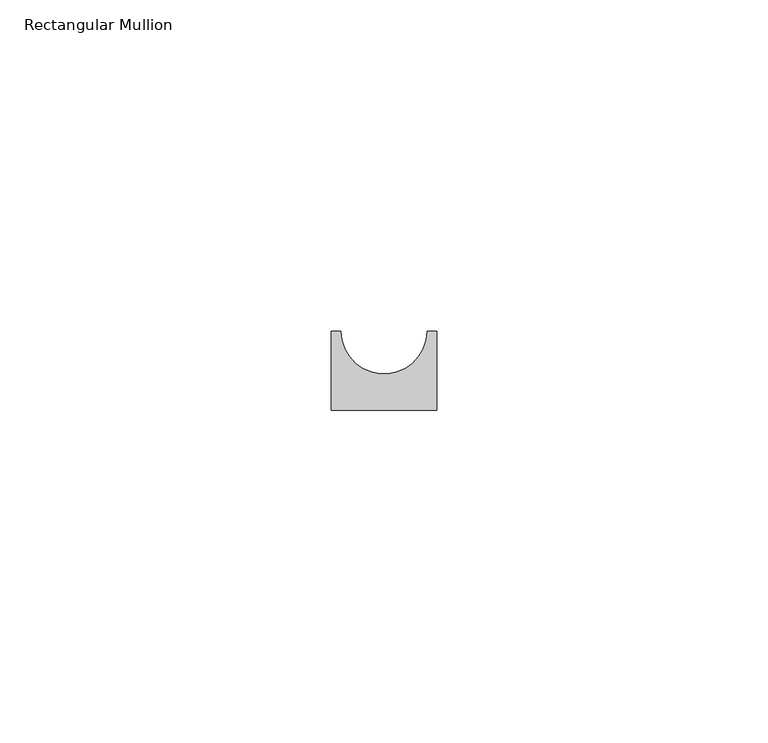
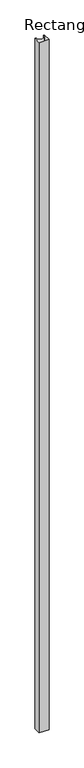
"""IFC4 building model written with IfcOpenShell, lengths in millimetres: member geometry, Rectangular Mullion."""

from ifc_helpers import new_model, si_unit, point, frame, frame_2d, origin, place, context, project, spatial, polyline, circle_curve, trimmed, segment, composite_curve, outline, extrude, source, transform, mapped, element, save


def rectangular_mullion_2a42ff7d(model_context):
    return source(origin(), model_context, "Body", "SweptSolid", [
        extrude(outline(composite_curve([segment(polyline([(8.0, 0.0), (-8.0, 0.0), (-8.0, 12.0), (-6.5, 12.0)]), True, "CONTINUOUS"), segment(trimmed(circle_curve(frame_2d((0.0, 12.0)), 6.5), [point((-6.5, 12.0))], [point((6.5, 12.0))], True, "CARTESIAN"), True, "CONTINUOUS"), segment(polyline([(6.5, 12.0), (8.0, 12.0), (8.0, 0.0)]), True, "CONTINUOUS")], self_intersect=False)), frame((0.0, 0.0, -1200.0), z_axis=(0.0, 0.0, 1.0), x_axis=(1.0, 0.0, 0.0)), (0.0, 0.0, 1.0), 1200.0),
    ])


if __name__ == "__main__":
    model = new_model("IFC4")
    model_context = context("Model", 3, world=origin())
    ifc_project = project(units=[si_unit("LENGTHUNIT", "METRE", prefix="MILLI")], contexts=[model_context])
    site = spatial("IfcSite", under=ifc_project)
    building = spatial("IfcBuilding", under=site)
    placement = place(None, origin())
    rectangular_mullion_shape = rectangular_mullion_2a42ff7d(model_context)
    element("IfcMember", 1, ObjectType="Rectangular Mullion", at=placement, inside=building, context=model_context, shape_type="MappedRepresentation", body=[
        mapped(rectangular_mullion_shape, transform((0.0, 0.0, 0.0), x_axis=(1.0, 0.0, 0.0), y_axis=(0.0, 1.0, 0.0), z_axis=(0.0, 0.0, 1.0))),
    ])
    save(model, "model.ifc")
